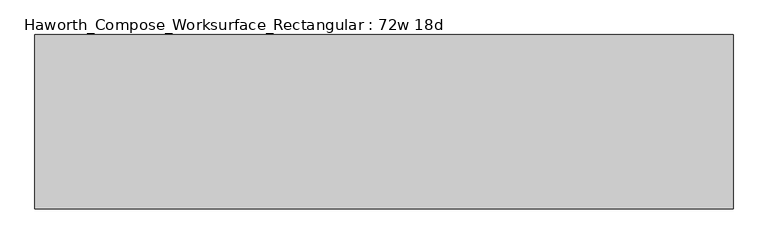
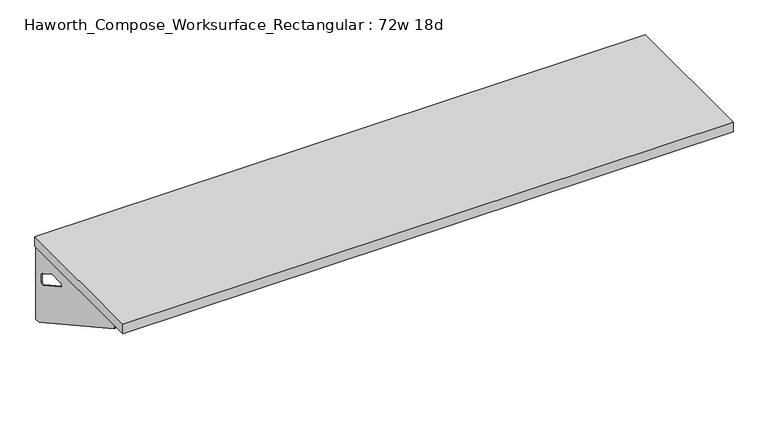
"""IFC4 building model written with IfcOpenShell, lengths in millimetres: furniture geometry, Haworth_Compose_Worksurface_Rectangular : 72w 18d."""

from ifc_helpers import new_model, si_unit, frame, origin, place, context, project, spatial, polyline, circle_curve, outline, extrude, source, transform, mapped, element, save
from ifc_brep_helpers import plane_surface, revolved_surface, advanced_brep


def haworth_compose_worksurface_rectangular_72w_18d_dd5f29b5(model_context):
    return source(origin(), model_context, "Body", "SolidModel", [
        advanced_brep(
        [(908.84375, 228.6, 475.45625), (908.84375, 212.725, 475.45625), (908.84375, -177.8, 691.7192568), (908.84375, -177.8, 704.05625), (908.84375, 212.725, 704.05625), (908.84375, 228.6, 704.05625), (908.84375, 145.290072, 665.95625), (908.84375, 101.6355284, 665.95625), (908.84375, 98.9564235, 656.3705539), (908.84375, 190.6776173, 605.5776439), (908.84375, 200.025, 611.1756969), (908.84375, 200.025, 634.6860246), (908.84375, 198.2730055, 637.5242776), (908.84375, 148.3663437, 665.1613425), (911.225, 228.6, 475.45625), (911.225, 228.6, 704.05625), (911.225, 212.725, 704.05625), (911.225, 212.725, 706.4375), (911.225, -177.8, 706.4375), (911.225, -177.8, 691.7192568), (911.225, 212.725, 475.45625), (911.225, 145.290072, 665.95625), (911.225, 148.3663437, 665.1613425), (911.225, 198.2730055, 637.5242776), (911.225, 200.025, 634.6860246), (911.225, 200.025, 611.1756969), (911.225, 190.6776173, 605.5776439), (911.225, 98.9564235, 656.3705539), (911.225, 101.6355284, 665.95625), (869.95, -177.8, 706.4375), (869.95, -177.8, 704.05625), (869.95, 212.725, 704.05625), (869.95, 212.725, 706.4375)],
        [
            (0, 1),
            (1, 2),
            (2, 3),
            (3, 4),
            (4, 5),
            (5, 0),
            (6, 7),
            (7, 8, circle_curve(frame((908.84375, 101.6355284, 660.7890106), z_axis=(1.0, 0.0, 0.0), x_axis=(0.0, -1.0, 0.0)), 5.1672394)),
            (8, 9),
            (9, 10, circle_curve(frame((908.84375, 193.675, 611.1756969), z_axis=(1.0, 0.0, 0.0), x_axis=(0.0, -1.0, 0.0)), 6.35)),
            (10, 11),
            (11, 12, circle_curve(frame((908.84375, 196.85, 634.6860246), z_axis=(1.0, 0.0, 0.0), x_axis=(0.0, -1.0, 0.0)), 3.175)),
            (12, 13),
            (13, 6, circle_curve(frame((908.84375, 145.290072, 659.60625), z_axis=(1.0, 0.0, 0.0), x_axis=(0.0, -1.0, 0.0)), 6.35)),
            (14, 15),
            (15, 16),
            (16, 17),
            (17, 18),
            (18, 19),
            (19, 20),
            (20, 14),
            (21, 22, circle_curve(frame((911.225, 145.290072, 659.60625), z_axis=(-1.0, 0.0, 0.0), x_axis=(0.0, -1.0, 0.0)), 6.35)),
            (22, 23),
            (23, 24, circle_curve(frame((911.225, 196.85, 634.6860246), z_axis=(-1.0, 0.0, 0.0), x_axis=(0.0, -1.0, 0.0)), 3.175)),
            (24, 25),
            (25, 26, circle_curve(frame((911.225, 193.675, 611.1756969), z_axis=(-1.0, 0.0, 0.0), x_axis=(0.0, -1.0, 0.0)), 6.35)),
            (26, 27),
            (27, 28, circle_curve(frame((911.225, 101.6355284, 660.7890106), z_axis=(-1.0, 0.0, 0.0), x_axis=(0.0, -1.0, 0.0)), 5.1672394)),
            (28, 21),
            (4, 16),
            (15, 5),
            (14, 0),
            (20, 1),
            (19, 2),
            (18, 29),
            (29, 30),
            (30, 3),
            (6, 21),
            (28, 7),
            (9, 26),
            (25, 10),
            (24, 11),
            (23, 12),
            (27, 8),
            (31, 4),
            (30, 31),
            (32, 29),
            (17, 32),
            (31, 32),
            (22, 13),
        ],
        [
            plane_surface(frame((908.84375, 228.6, 475.45625), z_axis=(-1.0, 0.0, 0.0), x_axis=(0.0, 1.0, 0.0))),
            plane_surface(frame((911.225, 228.6, 475.45625), z_axis=(1.0, 0.0, 0.0), x_axis=(0.0, -1.0, 0.0))),
            plane_surface(frame((911.225, -177.8, 704.05625), z_axis=(0.0, 0.0, 1.0), x_axis=(-1.0, 0.0, 0.0))),
            plane_surface(frame((911.225, 228.6, 704.05625), z_axis=(0.0, 1.0, 0.0), x_axis=(-1.0, 0.0, 0.0))),
            plane_surface(frame((911.225, 228.6, 475.45625), z_axis=(0.0, 0.0, -1.0), x_axis=(-1.0, 0.0, 0.0))),
            plane_surface(frame((911.225, 212.725, 475.45625), z_axis=(0.0, -0.48445223513455843, -0.8748177135112952), x_axis=(-1.0, 0.0, 0.0))),
            plane_surface(frame((911.225, -177.8, 691.7192568), z_axis=(0.0, -1.0, 0.0), x_axis=(-1.0, 0.0, 0.0))),
            plane_surface(frame((911.225, 145.290072, 665.95625), z_axis=(0.0, 0.0, -1.0), x_axis=(-1.0, 0.0, 0.0))),
            revolved_surface(polyline([(908.84375, 187.32500000000002, 611.1756969), (911.225, 187.32500000000002, 611.1756969)]), (911.225, 193.675, 611.1756969), (-1.0, 0.0, 0.0)),
            plane_surface(frame((911.225, 200.025, 611.1756969), z_axis=(0.0, -1.0, 0.0), x_axis=(-1.0, 0.0, 0.0))),
            revolved_surface(polyline([(908.84375, 193.67499999999998, 634.6860246), (911.225, 193.67499999999998, 634.6860246)]), (911.225, 196.85, 634.6860246), (-1.0, 0.0, 0.0)),
            revolved_surface(polyline([(908.84375, 96.468289, 660.7890106), (911.225, 96.468289, 660.7890106)]), (911.225, 101.6355284, 660.7890106), (-1.0, 0.0, 0.0)),
            plane_surface(frame((911.225, 212.725, 704.05625), z_axis=(0.0, 0.0, -1.0), x_axis=(-1.0, 0.0, 0.0))),
            plane_surface(frame((911.225, 212.725, 706.4375), z_axis=(0.0, 0.0, 1.0), x_axis=(1.0, 0.0, 0.0))),
            plane_surface(frame((869.95, 212.725, 706.4375), z_axis=(0.0, 1.0, 0.0), x_axis=(0.0, 0.0, -1.0))),
            plane_surface(frame((869.95, -177.8, 706.4375), z_axis=(-1.0, 0.0, 0.0), x_axis=(0.0, 0.0, -1.0))),
            plane_surface(frame((911.225, 98.9564235, 656.3705539), z_axis=(0.0, 0.4844522351345583, 0.8748177135112953), x_axis=(-1.0, 0.0, 0.0))),
            plane_surface(frame((911.225, 198.2730055, 637.5242776), z_axis=(0.0, -0.4844522351345582, -0.8748177135112953), x_axis=(-1.0, 0.0, 0.0))),
            revolved_surface(polyline([(908.84375, 138.94007200000001, 659.60625), (911.225, 138.94007200000001, 659.60625)]), (911.225, 145.290072, 659.60625), (-1.0, 0.0, 0.0)),
        ],
        [
            (0, [[1, 2, 3, 4, 5, 6], [7, 8, 9, 10, 11, 12, 13, 14]]),
            (1, [[15, 16, 17, 18, 19, 20, 21], [22, 23, 24, 25, 26, 27, 28, 29]]),
            (2, [[-5, 30, -16, 31]]),
            (3, [[-31, -15, 32, -6]]),
            (4, [[-32, -21, 33, -1]]),
            (5, [[-33, -20, 34, -2]]),
            (6, [[-34, -19, 35, 36, 37, -3]]),
            (7, [[38, -29, 39, -7]]),
            (8, [[40, -26, 41, -10]]),
            (9, [[-41, -25, 42, -11]]),
            (10, [[-42, -24, 43, -12]]),
            (11, [[-39, -28, 44, -8]]),
            (12, [[45, -4, -37, 46]]),
            (13, [[47, -35, -18, 48]]),
            (14, [[-17, -30, -45, 49, -48]]),
            (15, [[-36, -47, -49, -46]]),
            (16, [[-44, -27, -40, -9]]),
            (17, [[-43, -23, 50, -13]]),
            (18, [[-50, -22, -38, -14]]),
        ],
    ),
        advanced_brep(
        [(-908.84375, 228.6, 475.45625), (-908.84375, 228.6, 704.05625), (-908.84375, 212.725, 704.05625), (-908.84375, -177.8, 704.05625), (-908.84375, -177.8, 691.7192568), (-908.84375, 212.725, 475.45625), (-908.84375, 145.290072, 665.95625), (-908.84375, 148.3663437, 665.1613425), (-908.84375, 198.2730055, 637.5242776), (-908.84375, 200.025, 634.6860246), (-908.84375, 200.025, 611.1756969), (-908.84375, 190.6776173, 605.5776439), (-908.84375, 98.9564235, 656.3705539), (-908.84375, 101.6355284, 665.95625), (-911.225, 228.6, 475.45625), (-911.225, 212.725, 475.45625), (-911.225, -177.8, 691.7192568), (-911.225, -177.8, 706.4375), (-911.225, 212.725, 706.4375), (-911.225, 212.725, 704.05625), (-911.225, 228.6, 704.05625), (-911.225, 145.290072, 665.95625), (-911.225, 101.6355284, 665.95625), (-911.225, 98.9564235, 656.3705539), (-911.225, 190.6776173, 605.5776439), (-911.225, 200.025, 611.1756969), (-911.225, 200.025, 634.6860246), (-911.225, 198.2730055, 637.5242776), (-911.225, 148.3663437, 665.1613425), (-869.95, -177.8, 704.05625), (-869.95, -177.8, 706.4375), (-869.95, 212.725, 704.05625), (-869.95, 212.725, 706.4375)],
        [
            (0, 1),
            (1, 2),
            (2, 3),
            (3, 4),
            (4, 5),
            (5, 0),
            (6, 7, circle_curve(frame((-908.84375, 145.290072, 659.60625), z_axis=(-1.0, 0.0, 0.0), x_axis=(0.0, -1.0, 0.0)), 6.35)),
            (7, 8),
            (8, 9, circle_curve(frame((-908.84375, 196.85, 634.6860246), z_axis=(-1.0, 0.0, 0.0), x_axis=(0.0, -1.0, 0.0)), 3.175)),
            (9, 10),
            (10, 11, circle_curve(frame((-908.84375, 193.675, 611.1756969), z_axis=(-1.0, 0.0, 0.0), x_axis=(0.0, -1.0, 0.0)), 6.35)),
            (11, 12),
            (12, 13, circle_curve(frame((-908.84375, 101.6355284, 660.7890106), z_axis=(-1.0, 0.0, 0.0), x_axis=(0.0, -1.0, 0.0)), 5.1672394)),
            (13, 6),
            (14, 15),
            (15, 16),
            (16, 17),
            (17, 18),
            (18, 19),
            (19, 20),
            (20, 14),
            (21, 22),
            (22, 23, circle_curve(frame((-911.225, 101.6355284, 660.7890106), z_axis=(1.0, 0.0, 0.0), x_axis=(0.0, -1.0, 0.0)), 5.1672394)),
            (23, 24),
            (24, 25, circle_curve(frame((-911.225, 193.675, 611.1756969), z_axis=(1.0, 0.0, 0.0), x_axis=(0.0, -1.0, 0.0)), 6.35)),
            (25, 26),
            (26, 27, circle_curve(frame((-911.225, 196.85, 634.6860246), z_axis=(1.0, 0.0, 0.0), x_axis=(0.0, -1.0, 0.0)), 3.175)),
            (27, 28),
            (28, 21, circle_curve(frame((-911.225, 145.290072, 659.60625), z_axis=(1.0, 0.0, 0.0), x_axis=(0.0, -1.0, 0.0)), 6.35)),
            (1, 20),
            (19, 2),
            (0, 14),
            (5, 15),
            (4, 16),
            (3, 29),
            (29, 30),
            (30, 17),
            (13, 22),
            (21, 6),
            (10, 25),
            (24, 11),
            (9, 26),
            (8, 27),
            (12, 23),
            (31, 29),
            (2, 31),
            (32, 18),
            (30, 32),
            (32, 31),
            (7, 28),
        ],
        [
            plane_surface(frame((-908.84375, 228.6, 475.45625), z_axis=(1.0, 0.0, 0.0), x_axis=(0.0, 1.0, 0.0))),
            plane_surface(frame((-911.225, 228.6, 475.45625), z_axis=(-1.0, 0.0, 0.0), x_axis=(0.0, -1.0, 0.0))),
            plane_surface(frame((-911.225, -177.8, 704.05625), z_axis=(0.0, 0.0, 1.0), x_axis=(1.0, 0.0, 0.0))),
            plane_surface(frame((-911.225, 228.6, 704.05625), z_axis=(0.0, 1.0, 0.0), x_axis=(1.0, 0.0, 0.0))),
            plane_surface(frame((-911.225, 228.6, 475.45625), z_axis=(0.0, 0.0, -1.0), x_axis=(1.0, 0.0, 0.0))),
            plane_surface(frame((-911.225, 212.725, 475.45625), z_axis=(0.0, -0.48445223513455843, -0.8748177135112952), x_axis=(1.0, 0.0, 0.0))),
            plane_surface(frame((-911.225, -177.8, 691.7192568), z_axis=(0.0, -1.0, 0.0), x_axis=(1.0, 0.0, 0.0))),
            plane_surface(frame((-911.225, 145.290072, 665.95625), z_axis=(0.0, 0.0, -1.0), x_axis=(1.0, 0.0, 0.0))),
            revolved_surface(polyline([(-908.84375, 187.32500000000002, 611.1756969), (-911.225, 187.32500000000002, 611.1756969)]), (-911.225, 193.675, 611.1756969), (1.0, 0.0, 0.0)),
            plane_surface(frame((-911.225, 200.025, 611.1756969), z_axis=(0.0, -1.0, 0.0), x_axis=(1.0, 0.0, 0.0))),
            revolved_surface(polyline([(-908.84375, 193.67499999999998, 634.6860246), (-911.225, 193.67499999999998, 634.6860246)]), (-911.225, 196.85, 634.6860246), (1.0, 0.0, 0.0)),
            revolved_surface(polyline([(-908.84375, 96.468289, 660.7890106), (-911.225, 96.468289, 660.7890106)]), (-911.225, 101.6355284, 660.7890106), (1.0, 0.0, 0.0)),
            plane_surface(frame((-911.225, 212.725, 704.05625), z_axis=(0.0, 0.0, -1.0), x_axis=(1.0, 0.0, 0.0))),
            plane_surface(frame((-911.225, 212.725, 706.4375), z_axis=(0.0, 0.0, 1.0), x_axis=(-1.0, 0.0, 0.0))),
            plane_surface(frame((-869.95, 212.725, 706.4375), z_axis=(0.0, 1.0, 0.0), x_axis=(0.0, 0.0, -1.0))),
            plane_surface(frame((-869.95, -177.8, 706.4375), z_axis=(1.0, 0.0, 0.0), x_axis=(0.0, 0.0, -1.0))),
            plane_surface(frame((-911.225, 98.9564235, 656.3705539), z_axis=(0.0, 0.4844522351345583, 0.8748177135112953), x_axis=(1.0, 0.0, 0.0))),
            plane_surface(frame((-911.225, 198.2730055, 637.5242776), z_axis=(0.0, -0.4844522351345582, -0.8748177135112953), x_axis=(1.0, 0.0, 0.0))),
            revolved_surface(polyline([(-908.84375, 138.94007200000001, 659.60625), (-911.225, 138.94007200000001, 659.60625)]), (-911.225, 145.290072, 659.60625), (1.0, 0.0, 0.0)),
        ],
        [
            (0, [[1, 2, 3, 4, 5, 6], [7, 8, 9, 10, 11, 12, 13, 14]]),
            (1, [[15, 16, 17, 18, 19, 20, 21], [22, 23, 24, 25, 26, 27, 28, 29]]),
            (2, [[30, -20, 31, -2]]),
            (3, [[-1, 32, -21, -30]]),
            (4, [[-6, 33, -15, -32]]),
            (5, [[-5, 34, -16, -33]]),
            (6, [[-4, 35, 36, 37, -17, -34]]),
            (7, [[-14, 38, -22, 39]]),
            (8, [[-11, 40, -25, 41]]),
            (9, [[-10, 42, -26, -40]]),
            (10, [[-9, 43, -27, -42]]),
            (11, [[-13, 44, -23, -38]]),
            (12, [[45, -35, -3, 46]]),
            (13, [[47, -18, -37, 48]]),
            (14, [[-47, 49, -46, -31, -19]]),
            (15, [[-45, -49, -48, -36]]),
            (16, [[-12, -41, -24, -44]]),
            (17, [[-8, 50, -28, -43]]),
            (18, [[-7, -39, -29, -50]]),
        ],
    ),
        extrude(outline(polyline([(914.4, 228.6), (914.4, -228.6), (-914.4, -228.6), (-914.4, 228.6), (914.4, 228.6)])), frame((0.0, 0.0, 706.4375), z_axis=(0.0, 0.0, 1.0), x_axis=(1.0, 0.0, 0.0)), (0.0, 0.0, 1.0), 30.1625),
    ])


if __name__ == "__main__":
    model = new_model("IFC4")
    model_context = context("Model", 3, world=origin())
    ifc_project = project(units=[si_unit("LENGTHUNIT", "METRE", prefix="MILLI")], contexts=[model_context])
    site = spatial("IfcSite", under=ifc_project)
    building = spatial("IfcBuilding", under=site)
    placement = place(None, origin())
    haworth_compose_worksurface_rectangular_72w_18d_shape = haworth_compose_worksurface_rectangular_72w_18d_dd5f29b5(model_context)
    element("IfcFurniture", 1, ObjectType="Haworth_Compose_Worksurface_Rectangular : 72w 18d", at=placement, inside=building, context=model_context, shape_type="MappedRepresentation", body=[
        mapped(haworth_compose_worksurface_rectangular_72w_18d_shape, transform((0.0, 0.0, 0.0), x_axis=(1.0, 0.0, 0.0), y_axis=(0.0, 1.0, 0.0), z_axis=(0.0, 0.0, 1.0))),
    ])
    save(model, "model.ifc")
